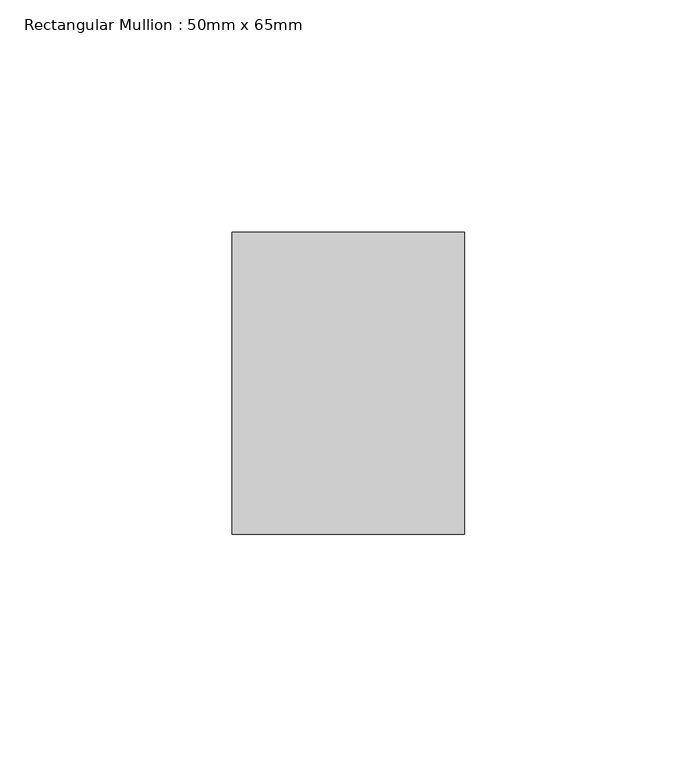
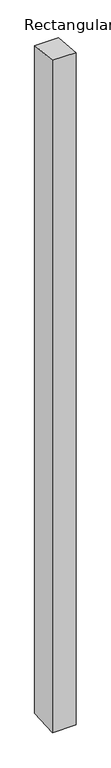
"""IFC4 building model written with IfcOpenShell, lengths in millimetres: member geometry, Rectangular Mullion : 50mm x 65mm."""

from ifc_helpers import new_model, si_unit, frame, origin, place, context, project, spatial, polyline, outline, extrude, source, transform, mapped, element, save


def rectangular_mullion_50mm_x_65mm_b687dfd7(model_context):
    return source(origin(), model_context, "Body", "SweptSolid", [
        extrude(outline(polyline([(-32.5, 3.1469344), (32.5, -3.1469343), (32.5, -1497.8334589), (-32.5, -1502.1654122), (-32.5, 3.1469344)])), frame((-25.0, 0.0, 0.0), z_axis=(1.0, 0.0, 0.0), x_axis=(0.0, 1.0, 0.0)), (0.0, 0.0, 1.0), 50.0),
    ])


if __name__ == "__main__":
    model = new_model("IFC4")
    model_context = context("Model", 3, world=origin())
    ifc_project = project(units=[si_unit("LENGTHUNIT", "METRE", prefix="MILLI")], contexts=[model_context])
    site = spatial("IfcSite", under=ifc_project)
    building = spatial("IfcBuilding", under=site)
    placement = place(None, origin())
    rectangular_mullion_50mm_x_65mm_shape = rectangular_mullion_50mm_x_65mm_b687dfd7(model_context)
    element("IfcMember", 1, ObjectType="Rectangular Mullion : 50mm x 65mm", at=placement, inside=building, context=model_context, shape_type="MappedRepresentation", body=[
        mapped(rectangular_mullion_50mm_x_65mm_shape, transform((0.0, 0.0, 0.0), x_axis=(1.0, 0.0, 0.0), y_axis=(0.0, 1.0, 0.0), z_axis=(0.0, 0.0, 1.0))),
    ])
    save(model, "model.ifc")
